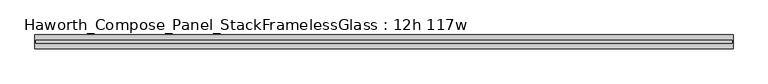
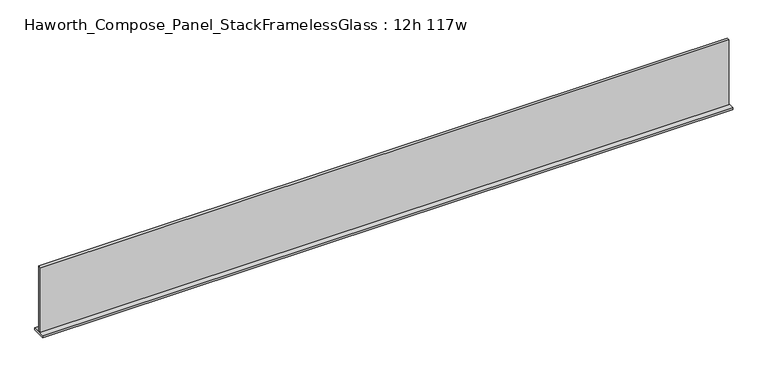
"""IFC4 building model written with IfcOpenShell, lengths in millimetres: furniture geometry, Haworth_Compose_Panel_StackFramelessGlass : 12h 117w."""

from ifc_helpers import new_model, si_unit, frame, origin, place, context, project, spatial, polyline, outline, extrude, source, transform, mapped, element, save


def haworth_compose_panel_stackframelessglass_12h_117w_5d39f819(model_context):
    return source(origin(), model_context, "Body", "SweptSolid", [
        extrude(outline(polyline([(1485.1652902, -27.3093594), (-1480.2847098, -27.3093594), (-1480.2847098, -14.6093594), (1485.1652902, -14.6093594), (1485.1652902, -27.3093594)])), frame((0.0, 0.0, 1279.525), z_axis=(0.0, 0.0, 1.0), x_axis=(1.0, 0.0, 0.0)), (0.0, 0.0, 1.0), 295.275),
        extrude(outline(polyline([(-1483.4597098, -50.3281094), (-1483.4597098, 8.4093906), (1488.3402902, 8.4093906), (1488.3402902, -50.3281094), (-1483.4597098, -50.3281094)])), frame((0.0, 0.0, 1270.0), z_axis=(0.0, 0.0, 1.0), x_axis=(1.0, 0.0, 0.0)), (0.0, 0.0, 1.0), 9.525),
    ])


if __name__ == "__main__":
    model = new_model("IFC4")
    model_context = context("Model", 3, world=origin())
    ifc_project = project(units=[si_unit("LENGTHUNIT", "METRE", prefix="MILLI")], contexts=[model_context])
    site = spatial("IfcSite", under=ifc_project)
    building = spatial("IfcBuilding", under=site)
    placement = place(None, origin())
    haworth_compose_panel_stackframelessglass_12h_117w_shape = haworth_compose_panel_stackframelessglass_12h_117w_5d39f819(model_context)
    element("IfcFurniture", 1, ObjectType="Haworth_Compose_Panel_StackFramelessGlass : 12h 117w", at=placement, inside=building, context=model_context, shape_type="MappedRepresentation", body=[
        mapped(haworth_compose_panel_stackframelessglass_12h_117w_shape, transform((0.0, 0.0, 0.0), x_axis=(1.0, 0.0, 0.0), y_axis=(0.0, 1.0, 0.0), z_axis=(0.0, 0.0, 1.0))),
    ])
    save(model, "model.ifc")
